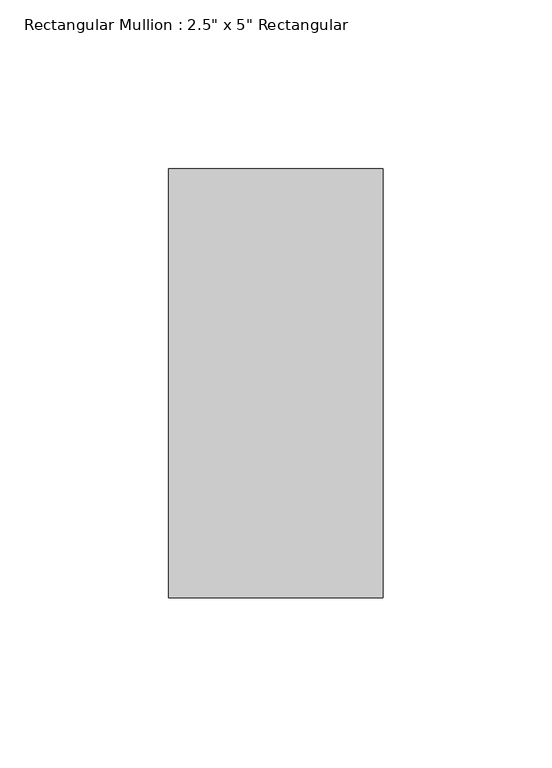
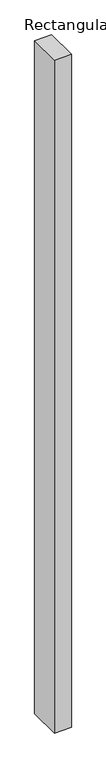
"""IFC4 building model written with IfcOpenShell, lengths in millimetres: member geometry."""

from ifc_helpers import new_model, si_unit, frame, origin, place, context, project, spatial, polyline, outline, extrude, source, transform, mapped, element, save


def member_830c086e(model_context):
    return source(origin(), model_context, "Body", "SweptSolid", [
        extrude(outline(polyline([(0.0, 63.5), (0.0, -63.5), (-63.5, -63.5), (-63.5, 63.5), (0.0, 63.5)])), frame((0.0, 0.0, -2659.0625), z_axis=(0.0, 0.0, 1.0), x_axis=(1.0, 0.0, 0.0)), (0.0, 0.0, 1.0), 2659.0625),
    ])


if __name__ == "__main__":
    model = new_model("IFC4")
    model_context = context("Model", 3, world=origin())
    ifc_project = project(units=[si_unit("LENGTHUNIT", "METRE", prefix="MILLI")], contexts=[model_context])
    site = spatial("IfcSite", under=ifc_project)
    building = spatial("IfcBuilding", under=site)
    placement = place(None, origin())
    member_shape = member_830c086e(model_context)
    element("IfcMember", 1, ObjectType="Rectangular Mullion : 2.5\" x 5\" Rectangular", at=placement, inside=building, context=model_context, shape_type="MappedRepresentation", body=[
        mapped(member_shape, transform((0.0, 0.0, 0.0), x_axis=(1.0, 0.0, 0.0), y_axis=(0.0, 1.0, 0.0), z_axis=(0.0, 0.0, 1.0))),
    ])
    save(model, "model.ifc")
